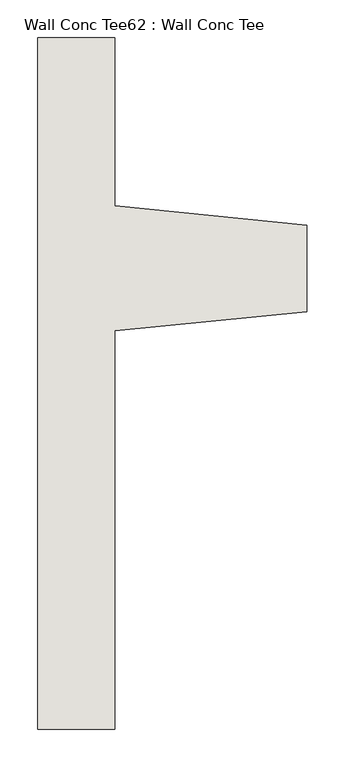
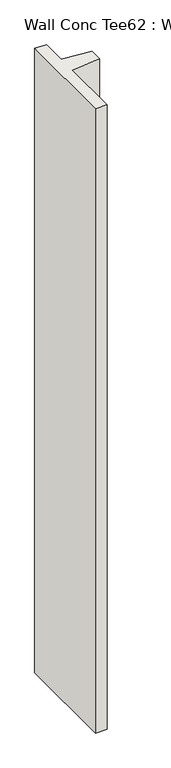
"""IFC4 building model written with IfcOpenShell, lengths in millimetres: wall geometry, Wall Conc Tee62 : Wall Conc Tee."""

import ifcopenshell
import ifcopenshell.guid

model = None  # the IFC model being written
_history = None  # IfcOwnerHistory: only IFC2X3 demands one
_inside = {}  # id of a spatial element -> (the spatial element, [elements in it])
_under = {}  # id of a project, library or spatial element -> (it, [spatial elements below it])
_declared = {}  # id of a project -> (the project, [libraries it declares])
_typed = {}  # id of a type object -> (the type object, [elements of that type])
_made_of = {}  # id of a material, layer set ... -> (it, [elements and type objects made of it])


def new_model(schema):
    """Start an empty IFC model of exactly this schema.

    Asked for "IFC4X3", IfcOpenShell would pick the latest addendum, in which some entities
    have other attributes; the version numbers below select the first issue.
    IFC2X3 requires an IfcOwnerHistory on every rooted entity: one is made here for all.
    """
    global model, _history
    if schema == "IFC4X3":
        model = ifcopenshell.file(schema_version=(4, 3, 0, 0))
    else:
        model = ifcopenshell.file(schema=schema)
    _inside.clear()
    _under.clear()
    _declared.clear()
    _typed.clear()
    _made_of.clear()
    _history = None
    if model.schema == "IFC2X3":
        org = make("IfcOrganization", Name="unknown")
        user = make(
            "IfcPersonAndOrganization",
            ThePerson=make("IfcPerson", FamilyName="unknown"),
            TheOrganization=org,
        )
        app = make(
            "IfcApplication",
            ApplicationDeveloper=org,
            Version="unknown",
            ApplicationFullName="unknown",
            ApplicationIdentifier="unknown",
        )
        _history = make(
            "IfcOwnerHistory",
            OwningUser=user,
            OwningApplication=app,
            ChangeAction="ADDED",
            CreationDate=0,
        )
    return model


def make(cls, **values):
    """One entity of the class cls with the attributes given. An attribute that is None is left unset."""
    return model.create_entity(
        cls, **{name: value for name, value in values.items() if value is not None}
    )


def rooted(cls, **values):
    """An entity with a GlobalId (a new one), such as an element, a storey or a relation."""
    return make(cls, GlobalId=ifcopenshell.guid.new(), OwnerHistory=_history, **values)


def si_unit(unit_type, name, prefix=None):
    """IfcSIUnit, for example si_unit("LENGTHUNIT", "METRE", prefix="MILLI")."""
    return make("IfcSIUnit", UnitType=unit_type, Prefix=prefix, Name=name)


def assignment(units):
    """IfcUnitAssignment: the units of a project."""
    return None if units is None else make("IfcUnitAssignment", Units=units)


def point(xyz):
    """IfcCartesianPoint."""
    return None if xyz is None else make("IfcCartesianPoint", Coordinates=xyz)


def direction(xyz):
    """IfcDirection."""
    return None if xyz is None else make("IfcDirection", DirectionRatios=xyz)


def frame(location, z_axis=None, x_axis=None):
    """IfcAxis2Placement3D, a coordinate frame: its origin and axes. An axis left out is left unset."""
    return make(
        "IfcAxis2Placement3D",
        Location=point(location),
        Axis=direction(z_axis),
        RefDirection=direction(x_axis),
    )


def origin():
    """The frame at (0, 0, 0) with its axes left unset."""
    return frame((0.0, 0.0, 0.0))


def place(relative_to, where):
    """IfcLocalPlacement: puts the frame where relative to a parent placement (None: the world)."""
    return make(
        "IfcLocalPlacement", PlacementRelTo=relative_to, RelativePlacement=where
    )


def context(
    kind, dimensions, precision=None, world=None, true_north=None, identifier=None
):
    """IfcGeometricRepresentationContext, for example the 3D "Model" context."""
    return make(
        "IfcGeometricRepresentationContext",
        ContextIdentifier=identifier,
        ContextType=kind,
        CoordinateSpaceDimension=dimensions,
        Precision=precision,
        WorldCoordinateSystem=world,
        TrueNorth=true_north,
    )


def project(units=None, contexts=None):
    """IfcProject with its units and contexts."""
    return rooted(
        "IfcProject",
        Name="project",
        RepresentationContexts=contexts,
        UnitsInContext=assignment(units),
    )


def spatial(cls, under=None, at=None, **own):
    """A site, building, storey or space (cls), placed at a placement, below another one or the project."""
    s = rooted(cls, ObjectPlacement=at, **own)
    if under is not None:
        _under.setdefault(under.id(), (under, []))[1].append(s)
    return s


def polyline(points):
    """IfcPolyline through the points."""
    return make("IfcPolyline", Points=[point(p) for p in points])


def outline(outer, holes=None, kind="AREA"):
    """IfcArbitraryClosedProfileDef: a profile drawn as a closed curve; with holes, ...WithVoids."""
    if holes is None:
        return make("IfcArbitraryClosedProfileDef", ProfileType=kind, OuterCurve=outer)
    return make(
        "IfcArbitraryProfileDefWithVoids",
        ProfileType=kind,
        OuterCurve=outer,
        InnerCurves=holes,
    )


def extrude(swept, where, along, depth):
    """IfcExtrudedAreaSolid: the profile swept, set in the frame where, extruded along a direction by depth."""
    return make(
        "IfcExtrudedAreaSolid",
        SweptArea=swept,
        Position=where,
        ExtrudedDirection=direction(along),
        Depth=depth,
    )


def shape(context_of_items, identifier, shape_type, items):
    """IfcShapeRepresentation: the items that make up one representation, for example the "Body"."""
    return make(
        "IfcShapeRepresentation",
        ContextOfItems=context_of_items,
        RepresentationIdentifier=identifier,
        RepresentationType=shape_type,
        Items=items,
    )


def source(mapping_origin, context_of_items, identifier, shape_type, items):
    """IfcRepresentationMap: a shape defined once, which mapped items show again and again."""
    return make(
        "IfcRepresentationMap",
        MappingOrigin=mapping_origin,
        MappedRepresentation=shape(context_of_items, identifier, shape_type, items),
    )


def transform(
    local_origin,
    x_axis=None,
    y_axis=None,
    z_axis=None,
    scale=None,
    scale2=None,
    scale3=None,
    uniform=True,
):
    """IfcCartesianTransformationOperator3D, or its non-uniform kind. x_axis, y_axis, z_axis: its Axis1, 2, 3."""
    if uniform:
        return make(
            "IfcCartesianTransformationOperator3D",
            Axis1=direction(x_axis),
            Axis2=direction(y_axis),
            LocalOrigin=point(local_origin),
            Scale=scale,
            Axis3=direction(z_axis),
        )
    return make(
        "IfcCartesianTransformationOperator3DnonUniform",
        Axis1=direction(x_axis),
        Axis2=direction(y_axis),
        LocalOrigin=point(local_origin),
        Scale=scale,
        Axis3=direction(z_axis),
        Scale2=scale2,
        Scale3=scale3,
    )


def mapped(mapping_source, mapping_target):
    """IfcMappedItem: shows the shape of a source again, moved by a transform."""
    return make(
        "IfcMappedItem", MappingSource=mapping_source, MappingTarget=mapping_target
    )


def made_of(thing, what):
    """Note that an element or type object is made of a material, layer set ...; save() writes the relation."""
    if what is not None:
        _made_of.setdefault(what.id(), (what, []))[1].append(thing)
    return thing


def element(
    cls,
    number,
    at=None,
    inside=None,
    cuts=None,
    type_object=None,
    material=None,
    context=None,
    identifier="Body",
    shape_type=None,
    held_by="IfcProductDefinitionShape",
    body=None,
    shapes=None,
    **own,
):
    """One element of the class cls, such as IfcWall. Its Tag is "e" and its number.

    at: its placement. inside: the storey or other place that contains it. cuts: it is an
    opening in that element (IfcRelVoidsElement). A single representation is given by context,
    identifier, shape_type and body (its items); several are given by shapes. held_by: the class
    of the entity that holds the representations. save() writes the other relations.
    """
    e = rooted(cls, Tag="e%d" % number, ObjectPlacement=at, **own)
    if body is not None:
        shapes = [shape(context, identifier, shape_type, body)]
    if shapes is not None:
        e.Representation = make(held_by, Representations=shapes)
    if inside is not None:
        _inside.setdefault(inside.id(), (inside, []))[1].append(e)
    if cuts is not None:
        rooted(
            "IfcRelVoidsElement", RelatingBuildingElement=cuts, RelatedOpeningElement=e
        )
    if type_object is not None:
        _typed.setdefault(type_object.id(), (type_object, []))[1].append(e)
    return made_of(e, material)


def aggregate(whole, parts):
    """IfcRelAggregates: a whole, such as a stair, and the parts it consists of."""
    return rooted("IfcRelAggregates", RelatingObject=whole, RelatedObjects=parts)


def save(model, path):
    """Write the relations noted so far, then the file.

    IfcRelAggregates (storeys below a building ...), IfcRelContainedInSpatialStructure (elements
    in a storey), IfcRelDefinesByType, IfcRelAssociatesMaterial and IfcRelDeclares: one each for
    every whole, place, type object, material and project.
    """
    for whole, parts in _under.values():
        aggregate(whole, parts)
    for where, things in _inside.values():
        rooted(
            "IfcRelContainedInSpatialStructure",
            RelatedElements=things,
            RelatingStructure=where,
        )
    for kind, things in _typed.values():
        rooted("IfcRelDefinesByType", RelatedObjects=things, RelatingType=kind)
    for what, things in _made_of.values():
        rooted("IfcRelAssociatesMaterial", RelatedObjects=things, RelatingMaterial=what)
    for by, libraries in _declared.values():
        rooted("IfcRelDeclares", RelatingContext=by, RelatedDefinitions=libraries)
    model.write(path)


def wall_conc_tee62_wall_conc_tee_fd89fa17(model_context):
    return source(origin(), model_context, "Body", "SweptSolid", [
        extrude(outline(polyline([(240653.0728488, 163259.2596581), (240653.0728488, 164173.6596581), (240754.6728488, 164173.6596581), (240754.6728488, 163951.4096581), (241008.6728488, 163926.0096581), (241008.6728488, 163811.7096581), (240754.6728488, 163786.3096581), (240754.6728488, 163259.2596581), (240653.0728488, 163259.2596581)])), frame((0.0, 0.0, 143.7592564), z_axis=(0.0, 0.0, 1.0), x_axis=(1.0, 0.0, 0.0)), (0.0, 0.0, 1.0), 5740.4),
    ])


if __name__ == "__main__":
    model = new_model("IFC4")
    model_context = context("Model", 3, world=origin())
    ifc_project = project(units=[si_unit("LENGTHUNIT", "METRE", prefix="MILLI")], contexts=[model_context])
    site = spatial("IfcSite", under=ifc_project)
    building = spatial("IfcBuilding", under=site)
    placement = place(None, origin())
    wall_conc_tee62_wall_conc_tee_shape = wall_conc_tee62_wall_conc_tee_fd89fa17(model_context)
    element("IfcWall", 1, ObjectType="Wall Conc Tee62 : Wall Conc Tee", at=placement, inside=building, context=model_context, shape_type="MappedRepresentation", body=[
        mapped(wall_conc_tee62_wall_conc_tee_shape, transform((0.0, 0.0, 0.0), x_axis=(1.0, 0.0, 0.0), y_axis=(0.0, 1.0, 0.0), z_axis=(0.0, 0.0, 1.0))),
    ])
    save(model, "model.ifc")
